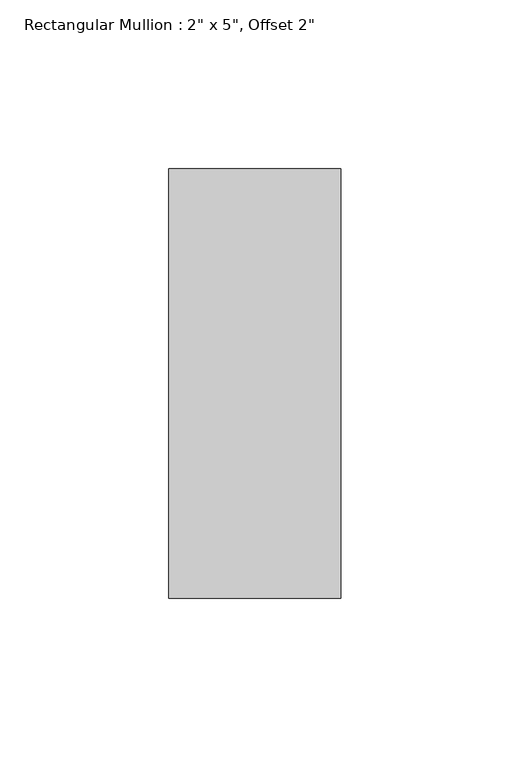
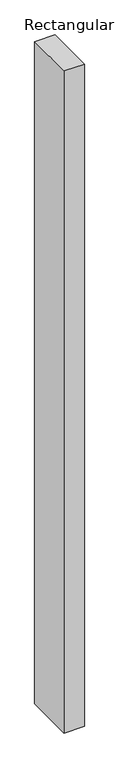
"""IFC4 building model written with IfcOpenShell, lengths in millimetres: member geometry."""

from ifc_helpers import new_model, si_unit, frame, origin, place, context, project, spatial, polyline, outline, extrude, source, transform, mapped, element, save


def member_affc49bf(model_context):
    return source(origin(), model_context, "Body", "SweptSolid", [
        extrude(outline(polyline([(0.0, 114.3), (0.0, -12.7), (-50.8, -12.7), (-50.8, 114.3), (0.0, 114.3)])), frame((0.0, 0.0, -1752.6), z_axis=(0.0, 0.0, 1.0), x_axis=(1.0, 0.0, 0.0)), (0.0, 0.0, 1.0), 1752.6),
    ])


if __name__ == "__main__":
    model = new_model("IFC4")
    model_context = context("Model", 3, world=origin())
    ifc_project = project(units=[si_unit("LENGTHUNIT", "METRE", prefix="MILLI")], contexts=[model_context])
    site = spatial("IfcSite", under=ifc_project)
    building = spatial("IfcBuilding", under=site)
    placement = place(None, origin())
    member_shape = member_affc49bf(model_context)
    element("IfcMember", 1, ObjectType="Rectangular Mullion : 2\" x 5\", Offset 2\"", at=placement, inside=building, context=model_context, shape_type="MappedRepresentation", body=[
        mapped(member_shape, transform((0.0, 0.0, 0.0), x_axis=(1.0, 0.0, 0.0), y_axis=(0.0, 1.0, 0.0), z_axis=(0.0, 0.0, 1.0))),
    ])
    save(model, "model.ifc")
